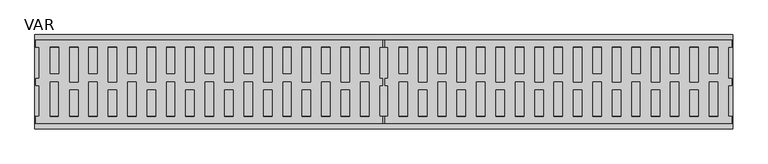
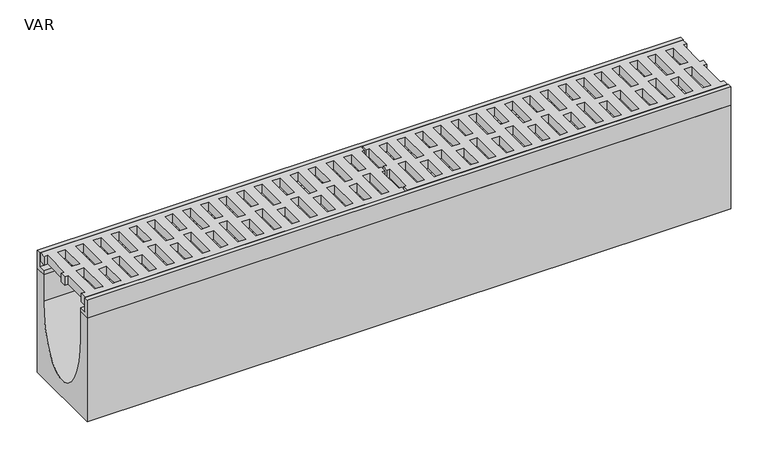
"""IFC4 building model written with IfcOpenShell, lengths in millimetres: flow terminal geometry, VAR."""

from ifc_helpers import new_model, si_unit, point, frame, origin, place, context, project, spatial, polyline, ellipse_curve, trimmed, outline, extrude, source, transform, mapped, element, save
from ifc_brep_helpers import plane_surface, extruded_surface, advanced_brep


def var_35c4abd3(model_context):
    return source(origin(), model_context, "Body", "SolidModel", [
        extrude(outline(polyline([(1.0, -50.0), (6.2128411, -50.0), (6.2128411, -5.0), (1.0, -5.0), (1.0, 5.0), (6.0395798, 5.0), (6.0395798, 50.0), (1.0, 50.0), (1.0, 60.0), (498.5, 60.0), (498.5, 50.0), (493.9152619, 50.0), (493.9152619, 5.0), (498.5, 5.0), (498.5, -5.0), (493.9152619, -5.0), (493.9152619, -50.0), (498.5, -50.0), (498.5, -60.0), (1.0, -60.0), (1.0, -50.0)]), holes=[polyline([(466.6, -50.0), (478.5570972, -50.0), (478.5570972, 0.0), (466.6, 0.0), (466.6, -50.0)]), polyline([(61.7694762, 50.0), (49.6, 50.0), (49.6, 0.0), (61.7694762, 0.0), (61.7694762, 50.0)]), polyline([(117.3694762, 50.0), (105.2, 50.0), (105.2, 0.0), (117.3694762, 0.0), (117.3694762, 50.0)]), polyline([(172.9694762, 50.0), (160.8, 50.0), (160.8, 0.0), (172.9694762, 0.0), (172.9694762, 50.0)]), polyline([(228.5694762, 50.0), (216.4, 50.0), (216.4, 0.0), (228.5694762, 0.0), (228.5694762, 50.0)]), polyline([(284.1694762, 50.0), (272.0, 50.0), (272.0, 0.0), (284.1694762, 0.0), (284.1694762, 50.0)]), polyline([(339.7694762, 50.0), (327.6, 50.0), (327.6, 0.0), (339.7694762, 0.0), (339.7694762, 50.0)]), polyline([(395.3694762, 50.0), (383.2, 50.0), (383.2, 0.0), (395.3694762, 0.0), (395.3694762, 50.0)]), polyline([(450.9694762, 50.0), (438.8, 50.0), (438.8, 0.0), (450.9694762, 0.0), (450.9694762, 50.0)]), polyline([(466.6, 50.0), (466.6, 11.948473), (478.6, 11.948473), (478.6, 50.0), (466.6, 50.0)]), polyline([(411.0, -50.0), (422.9570972, -50.0), (422.9570972, 0.0), (411.0, 0.0), (411.0, -50.0)]), polyline([(411.0, 50.0), (411.0, 11.948473), (423.0, 11.948473), (423.0, 50.0), (411.0, 50.0)]), polyline([(355.4, -50.0), (367.3570972, -50.0), (367.3570972, 0.0), (355.4, 0.0), (355.4, -50.0)]), polyline([(355.4, 50.0), (355.4, 11.948473), (367.4, 11.948473), (367.4, 50.0), (355.4, 50.0)]), polyline([(299.8, -50.0), (311.7570972, -50.0), (311.7570972, 0.0), (299.8, 0.0), (299.8, -50.0)]), polyline([(299.8, 50.0), (299.8, 11.948473), (311.8, 11.948473), (311.8, 50.0), (299.8, 50.0)]), polyline([(244.2, -50.0), (256.1570972, -50.0), (256.1570972, 0.0), (244.2, 0.0), (244.2, -50.0)]), polyline([(244.2, 50.0), (244.2, 11.948473), (256.2, 11.948473), (256.2, 50.0), (244.2, 50.0)]), polyline([(188.6, -50.0), (200.5570972, -50.0), (200.5570972, 0.0), (188.6, 0.0), (188.6, -50.0)]), polyline([(188.6, 50.0), (188.6, 11.948473), (200.6, 11.948473), (200.6, 50.0), (188.6, 50.0)]), polyline([(133.0, -50.0), (144.9570972, -50.0), (144.9570972, 0.0), (133.0, 0.0), (133.0, -50.0)]), polyline([(133.0, 50.0), (133.0, 11.948473), (145.0, 11.948473), (145.0, 50.0), (133.0, 50.0)]), polyline([(77.4, -50.0), (89.3570972, -50.0), (89.3570972, 0.0), (77.4, 0.0), (77.4, -50.0)]), polyline([(77.4, 50.0), (77.4, 11.948473), (89.4, 11.948473), (89.4, 50.0), (77.4, 50.0)]), polyline([(21.8, -50.0), (33.7570972, -50.0), (33.7570972, 0.0), (21.8, 0.0), (21.8, -50.0)]), polyline([(49.6, -50.0), (61.7694762, -50.0), (61.7694762, -11.948473), (49.6, -11.948473), (49.6, -50.0)]), polyline([(105.2, -50.0), (117.3694762, -50.0), (117.3694762, -11.948473), (105.2, -11.948473), (105.2, -50.0)]), polyline([(160.8, -50.0), (172.9694762, -50.0), (172.9694762, -11.948473), (160.8, -11.948473), (160.8, -50.0)]), polyline([(216.4, -50.0), (228.5694762, -50.0), (228.5694762, -11.948473), (216.4, -11.948473), (216.4, -50.0)]), polyline([(272.0, -50.0), (284.1694762, -50.0), (284.1694762, -11.948473), (272.0, -11.948473), (272.0, -50.0)]), polyline([(327.6, -50.0), (339.7694762, -50.0), (339.7694762, -11.948473), (327.6, -11.948473), (327.6, -50.0)]), polyline([(383.2, -50.0), (395.3694762, -50.0), (395.3694762, -11.948473), (383.2, -11.948473), (383.2, -50.0)]), polyline([(438.8, -50.0), (450.9694762, -50.0), (450.9694762, -11.948473), (438.8, -11.948473), (438.8, -50.0)]), polyline([(21.8, 50.0), (21.8, 11.948473), (33.8, 11.948473), (33.8, 50.0), (21.8, 50.0)])]), frame((0.0, 0.0, -14.0), z_axis=(0.0, 0.0, 1.0), x_axis=(1.0, 0.0, 0.0)), (0.0, 0.0, 1.0), 14.0),
        extrude(outline(polyline([(999.0, 50.0), (993.9152619, 50.0), (993.9152619, 5.0), (999.0, 5.0), (999.0, -5.0), (993.9152619, -5.0), (993.9152619, -50.0), (999.0, -50.0), (999.0, -60.0), (501.5, -60.0), (501.5, -50.0), (506.0847381, -50.0), (506.0847381, -5.0), (501.5, -5.0), (501.5, 5.0), (506.0847381, 5.0), (506.0847381, 50.0), (501.5, 50.0), (501.5, 60.0), (999.0, 60.0), (999.0, 50.0)]), holes=[polyline([(799.8, 50.0), (799.8, 11.948473), (811.8, 11.948473), (811.8, 50.0), (799.8, 50.0)]), polyline([(966.6, 50.0), (966.6, 11.948473), (978.6, 11.948473), (978.6, 50.0), (966.6, 50.0)]), polyline([(911.0, 50.0), (911.0, 11.948473), (923.0, 11.948473), (923.0, 50.0), (911.0, 50.0)]), polyline([(744.2, 50.0), (744.2, 11.948473), (756.2, 11.948473), (756.2, 50.0), (744.2, 50.0)]), polyline([(855.4, 50.0), (855.4, 11.948473), (867.4, 11.948473), (867.4, 50.0), (855.4, 50.0)]), polyline([(688.6, 50.0), (688.6, 11.948473), (700.6, 11.948473), (700.6, 50.0), (688.6, 50.0)]), polyline([(633.0, 50.0), (633.0, 11.948473), (645.0, 11.948473), (645.0, 50.0), (633.0, 50.0)]), polyline([(521.8, 50.0), (521.8, 11.948473), (533.8, 11.948473), (533.8, 50.0), (521.8, 50.0)]), polyline([(577.4, 50.0), (577.4, 11.948473), (589.4, 11.948473), (589.4, 50.0), (577.4, 50.0)]), polyline([(911.0, -50.0), (922.9570972, -50.0), (922.9570972, 0.0), (911.0, 0.0), (911.0, -50.0)]), polyline([(855.4, -50.0), (867.3570972, -50.0), (867.3570972, 0.0), (855.4, 0.0), (855.4, -50.0)]), polyline([(799.8, -50.0), (811.7570972, -50.0), (811.7570972, 0.0), (799.8, 0.0), (799.8, -50.0)]), polyline([(744.2, -50.0), (756.1570972, -50.0), (756.1570972, 0.0), (744.2, 0.0), (744.2, -50.0)]), polyline([(688.6, -50.0), (700.5570972, -50.0), (700.5570972, 0.0), (688.6, 0.0), (688.6, -50.0)]), polyline([(633.0, -50.0), (644.9570972, -50.0), (644.9570972, 0.0), (633.0, 0.0), (633.0, -50.0)]), polyline([(577.4, -50.0), (589.3570972, -50.0), (589.3570972, 0.0), (577.4, 0.0), (577.4, -50.0)]), polyline([(521.8, -50.0), (533.7570972, -50.0), (533.7570972, 0.0), (521.8, 0.0), (521.8, -50.0)]), polyline([(561.7694762, 50.0), (549.6, 50.0), (549.6, 0.0), (561.7694762, 0.0), (561.7694762, 50.0)]), polyline([(617.3694762, 50.0), (605.2, 50.0), (605.2, 0.0), (617.3694762, 0.0), (617.3694762, 50.0)]), polyline([(672.9694762, 50.0), (660.8, 50.0), (660.8, 0.0), (672.9694762, 0.0), (672.9694762, 50.0)]), polyline([(728.5694762, 50.0), (716.4, 50.0), (716.4, 0.0), (728.5694762, 0.0), (728.5694762, 50.0)]), polyline([(784.1694762, 50.0), (772.0, 50.0), (772.0, 0.0), (784.1694762, 0.0), (784.1694762, 50.0)]), polyline([(839.7694762, 50.0), (827.6, 50.0), (827.6, 0.0), (839.7694762, 0.0), (839.7694762, 50.0)]), polyline([(895.3694762, 50.0), (883.2, 50.0), (883.2, 0.0), (895.3694762, 0.0), (895.3694762, 50.0)]), polyline([(950.9694762, 50.0), (938.8, 50.0), (938.8, 0.0), (950.9694762, 0.0), (950.9694762, 50.0)]), polyline([(549.6, -50.0), (561.7694762, -50.0), (561.7694762, -11.948473), (549.6, -11.948473), (549.6, -50.0)]), polyline([(605.2, -50.0), (617.3694762, -50.0), (617.3694762, -11.948473), (605.2, -11.948473), (605.2, -50.0)]), polyline([(660.8, -50.0), (672.9694762, -50.0), (672.9694762, -11.948473), (660.8, -11.948473), (660.8, -50.0)]), polyline([(716.4, -50.0), (728.5694762, -50.0), (728.5694762, -11.948473), (716.4, -11.948473), (716.4, -50.0)]), polyline([(772.0, -50.0), (784.1694762, -50.0), (784.1694762, -11.948473), (772.0, -11.948473), (772.0, -50.0)]), polyline([(827.6, -50.0), (839.7694762, -50.0), (839.7694762, -11.948473), (827.6, -11.948473), (827.6, -50.0)]), polyline([(883.2, -50.0), (895.3694762, -50.0), (895.3694762, -11.948473), (883.2, -11.948473), (883.2, -50.0)]), polyline([(938.8, -50.0), (950.9694762, -50.0), (950.9694762, -11.948473), (938.8, -11.948473), (938.8, -50.0)]), polyline([(966.6, -50.0), (978.5570972, -50.0), (978.5570972, 0.0), (966.6, 0.0), (966.6, -50.0)])]), frame((0.0, 0.0, -14.0), z_axis=(0.0, 0.0, 1.0), x_axis=(1.0, 0.0, 0.0)), (0.0, 0.0, 1.0), 14.0),
        advanced_brep(
        [(1000.0, -50.0, -30.0), (1000.0, -67.5, -30.0), (1000.0, -67.5, -200.0), (1000.0, 67.5, -200.0), (1000.0, 67.5, -30.0), (1000.0, 50.0, -30.0), (1000.0, 50.0, -73.0), (1000.0, -50.0, -73.0), (0.0, -50.0, -30.0), (0.0, -50.0, -73.0), (0.0, 50.0, -73.0), (0.0, 50.0, -30.0), (0.0, 67.5, -30.0), (0.0, 67.5, -200.0), (0.0, -67.5, -200.0), (0.0, -67.5, -30.0)],
        [
            (0, 1),
            (1, 2),
            (2, 3),
            (3, 4),
            (4, 5),
            (5, 6),
            (6, 7, ellipse_curve(frame((1000.0, 0.0, -73.0), z_axis=(-1.0, 0.0, 0.0), x_axis=(0.0, -1.0, 0.0)), 50.0, 100.0)),
            (7, 0),
            (8, 9),
            (9, 10, ellipse_curve(frame((0.0, 0.0, -73.0), z_axis=(1.0, 0.0, 0.0), x_axis=(0.0, -1.0, 0.0)), 50.0, 100.0)),
            (10, 11),
            (11, 12),
            (12, 13),
            (13, 14),
            (14, 15),
            (15, 8),
            (8, 0),
            (7, 9),
            (6, 10),
            (5, 11),
            (4, 12),
            (3, 13),
            (2, 14),
            (1, 15),
        ],
        [
            plane_surface(frame((1000.0, 0.0, -83.25), z_axis=(1.0, 0.0, 0.0), x_axis=(0.0, 0.0, -1.0))),
            plane_surface(frame((0.0, 0.0, -83.25), z_axis=(-1.0, 0.0, 0.0), x_axis=(0.0, 0.0, -1.0))),
            plane_surface(frame((0.0, -50.0, -51.5), z_axis=(0.0, 1.0, 0.0), x_axis=(0.0, 0.0, -1.0))),
            extruded_surface(trimmed(ellipse_curve(frame((1000.0, 0.0, -73.0), z_axis=(1.0, 0.0, 0.0), x_axis=(0.0, -1.0, 0.0)), 50.0, 100.0), [point((1000.0, -50.0, -73.0))], [point((1000.0, 50.0, -73.0))], True, "CARTESIAN"), (-1000.0, 0.0, 0.0), 1000.0),
            plane_surface(frame((0.0, 50.0, -51.5), z_axis=(0.0, -1.0, 0.0), x_axis=(0.0, 0.0, 1.0))),
            plane_surface(frame((0.0, 58.75, -30.0), z_axis=(0.0, 0.0, 1.0), x_axis=(0.0, 1.0, 0.0))),
            plane_surface(frame((0.0, 67.5, -115.0), z_axis=(0.0, 1.0, 0.0), x_axis=(0.0, 0.0, -1.0))),
            plane_surface(frame((0.0, 0.0, -200.0), z_axis=(0.0, 0.0, -1.0), x_axis=(0.0, -1.0, 0.0))),
            plane_surface(frame((0.0, -67.5, -115.0), z_axis=(0.0, -1.0, 0.0), x_axis=(0.0, 0.0, 1.0))),
            plane_surface(frame((0.0, -58.75, -30.0), z_axis=(0.0, 0.0, 1.0), x_axis=(0.0, 1.0, 0.0))),
        ],
        [
            (0, [[1, 2, 3, 4, 5, 6, 7, 8]]),
            (1, [[9, 10, 11, 12, 13, 14, 15, 16]]),
            (2, [[17, -8, 18, -9]]),
            (3, [[-18, -7, 19, -10]]),
            (4, [[-19, -6, 20, -11]]),
            (5, [[-20, -5, 21, -12]]),
            (6, [[-21, -4, 22, -13]]),
            (7, [[-22, -3, 23, -14]]),
            (8, [[-23, -2, 24, -15]]),
            (9, [[-24, -1, -17, -16]]),
        ],
    ),
        extrude(outline(polyline([(-60.5, 0.0), (-60.5, -23.0), (-50.0, -23.0), (-50.0, -30.0), (-67.5, -30.0), (-67.5, 0.0), (-60.5, 0.0)])), frame((0.0, 0.0, 0.0), z_axis=(1.0, 0.0, 0.0), x_axis=(0.0, 1.0, 0.0)), (0.0, 0.0, 1.0), 1000.0),
        extrude(outline(polyline([(60.5, 0.0), (67.5, 0.0), (67.5, -30.0), (50.0, -30.0), (50.0, -23.0), (60.5, -23.0), (60.5, 0.0)])), frame((0.0, 0.0, 0.0), z_axis=(1.0, 0.0, 0.0), x_axis=(0.0, 1.0, 0.0)), (0.0, 0.0, 1.0), 1000.0),
    ])


if __name__ == "__main__":
    model = new_model("IFC4")
    model_context = context("Model", 3, world=origin())
    ifc_project = project(units=[si_unit("LENGTHUNIT", "METRE", prefix="MILLI")], contexts=[model_context])
    site = spatial("IfcSite", under=ifc_project)
    building = spatial("IfcBuilding", under=site)
    placement = place(None, origin())
    var_shape = var_35c4abd3(model_context)
    element("IfcFlowTerminal", 1, ObjectType="VAR", at=placement, inside=building, context=model_context, shape_type="MappedRepresentation", body=[
        mapped(var_shape, transform((0.0, 0.0, 0.0), x_axis=(1.0, 0.0, 0.0), y_axis=(0.0, 1.0, 0.0), z_axis=(0.0, 0.0, 1.0))),
    ])
    save(model, "model.ifc")
